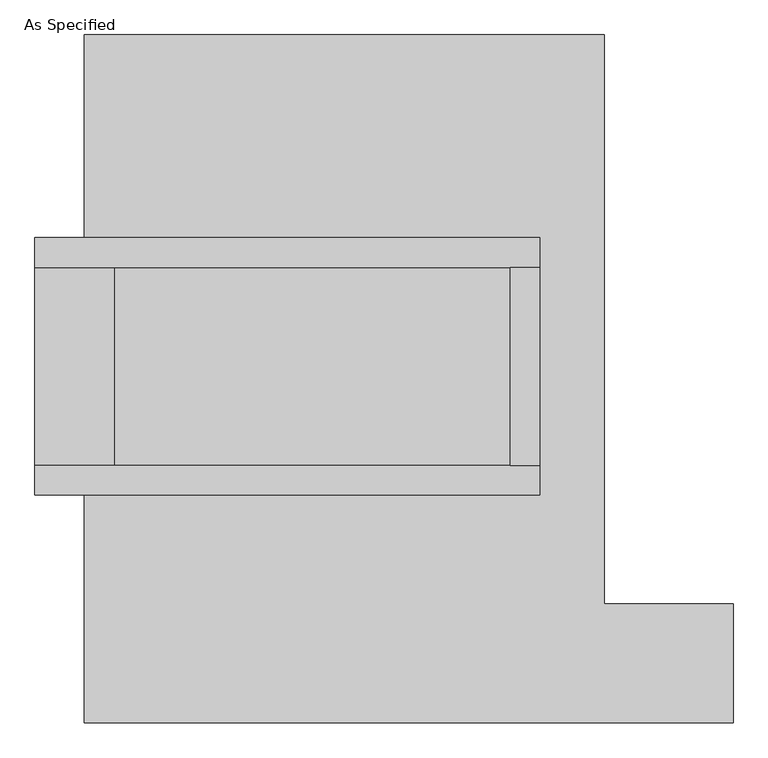
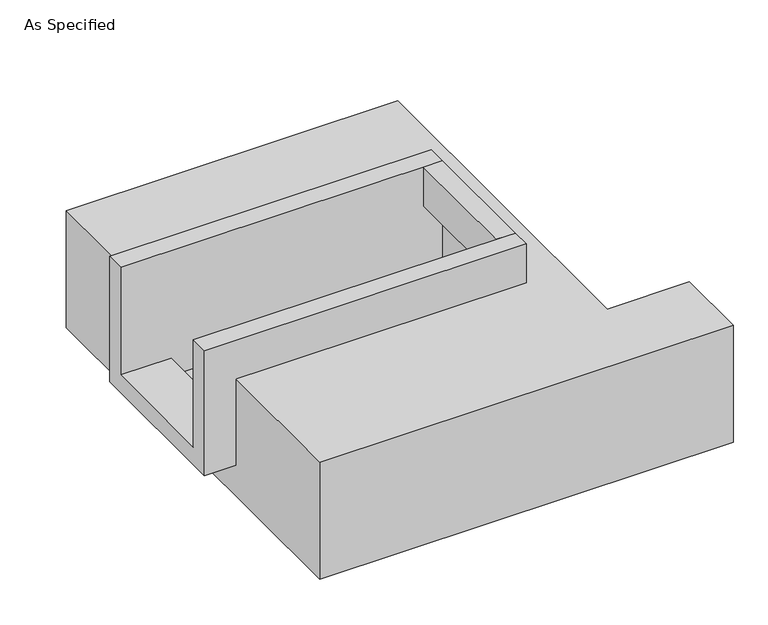
"""IFC4 building model written with IfcOpenShell, lengths in millimetres: proxy geometry, As Specified."""

from ifc_helpers import new_model, si_unit, frame, origin, place, context, project, spatial, polyline, outline, extrude, faceted_brep, source, transform, mapped, element, save


def as_specified_2e3e9122(model_context):
    return source(origin(), model_context, "Body", "SolidModel", [
        extrude(outline(polyline([(425.45, 285.75), (501.65, 285.75), (501.65, -222.25), (425.45, -222.25), (425.45, 285.75)])), frame((0.0, 0.0, -25.4), z_axis=(0.0, 0.0, 1.0), x_axis=(1.0, 0.0, 0.0)), (0.0, 0.0, 1.0), 165.1),
        faceted_brep([(501.65, 285.75, 139.7), (501.65, 285.75, -317.5), (501.65, -222.25, -317.5), (501.65, -222.25, 139.7), (501.65, -298.45, 139.7), (501.65, -298.45, -393.7), (501.65, 361.95, -393.7), (501.65, 361.95, 139.7), (-793.75, 285.75, 139.7), (-793.75, 361.95, 139.7), (-793.75, 361.95, -393.7), (-793.75, -298.45, -393.7), (-793.75, -298.45, 139.7), (-793.75, -222.25, 139.7), (-793.75, -222.25, -317.5), (-793.75, 285.75, -317.5), (-590.55, 285.75, -393.7), (-590.55, -222.25, -393.7), (425.45, -222.25, -393.7), (425.45, 285.75, -393.7), (425.45, -222.25, -317.5), (-590.55, -222.25, -317.5), (425.45, 285.75, -317.5), (-590.55, 285.75, -317.5)], [[[0, 1, 2, 3, 4, 5, 6, 7]], [[8, 9, 10, 11, 12, 13, 14, 15]], [[0, 7, 9, 8]], [[7, 6, 10, 9]], [[6, 5, 11, 10], [16, 17, 18, 19]], [[4, 3, 13, 12]], [[3, 2, 20, 18, 17, 21, 14, 13]], [[2, 1, 22, 20]], [[15, 14, 21, 23]], [[1, 0, 8, 15, 23, 16, 19, 22]], [[21, 17, 16, 23]], [[18, 20, 22, 19]], [[5, 4, 12, 11]]]),
        faceted_brep([(-666.75, 882.65, -523.9742188), (666.75, 882.65, -523.9742188), (666.75, -577.85, -523.9742188), (996.95, -577.85, -523.9742188), (996.95, -882.65, -523.9742188), (-666.75, -882.65, -523.9742188), (666.75, 882.65, -25.4), (-666.75, 882.65, -25.4), (-666.75, 361.95, -25.4), (501.65, 361.95, -25.4), (501.65, -298.45, -25.4), (-666.75, -298.45, -25.4), (-666.75, -882.65, -25.4), (996.95, -882.65, -25.4), (996.95, -577.85, -25.4), (666.75, -577.85, -25.4), (-666.75, -298.45, -393.7), (-666.75, 361.95, -393.7), (501.65, 361.95, -393.7), (501.65, -298.45, -393.7)], [[[0, 1, 2, 3, 4, 5]], [[6, 7, 8, 9, 10, 11, 12, 13, 14, 15]], [[1, 0, 7, 6]], [[7, 0, 5, 12, 11, 16, 17, 8]], [[1, 6, 15, 2]], [[5, 4, 13, 12]], [[18, 19, 10, 9]], [[17, 18, 9, 8]], [[19, 18, 17, 16]], [[19, 16, 11, 10]], [[4, 3, 14, 13]], [[3, 2, 15, 14]]]),
    ])


if __name__ == "__main__":
    model = new_model("IFC4")
    model_context = context("Model", 3, world=origin())
    ifc_project = project(units=[si_unit("LENGTHUNIT", "METRE", prefix="MILLI")], contexts=[model_context])
    site = spatial("IfcSite", under=ifc_project)
    building = spatial("IfcBuilding", under=site)
    placement = place(None, origin())
    as_specified_shape = as_specified_2e3e9122(model_context)
    element("IfcBuildingElementProxy", 1, Name="As Specified", ObjectType="As Specified", at=placement, inside=building, context=model_context, shape_type="MappedRepresentation", body=[
        mapped(as_specified_shape, transform((0.0, 0.0, 0.0), x_axis=(1.0, 0.0, 0.0), y_axis=(0.0, 1.0, 0.0), z_axis=(0.0, 0.0, 1.0))),
    ])
    save(model, "model.ifc")
